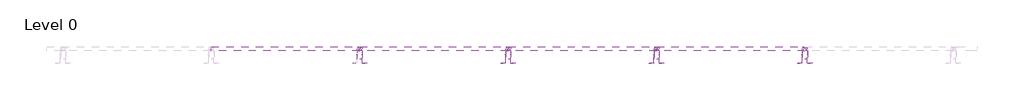
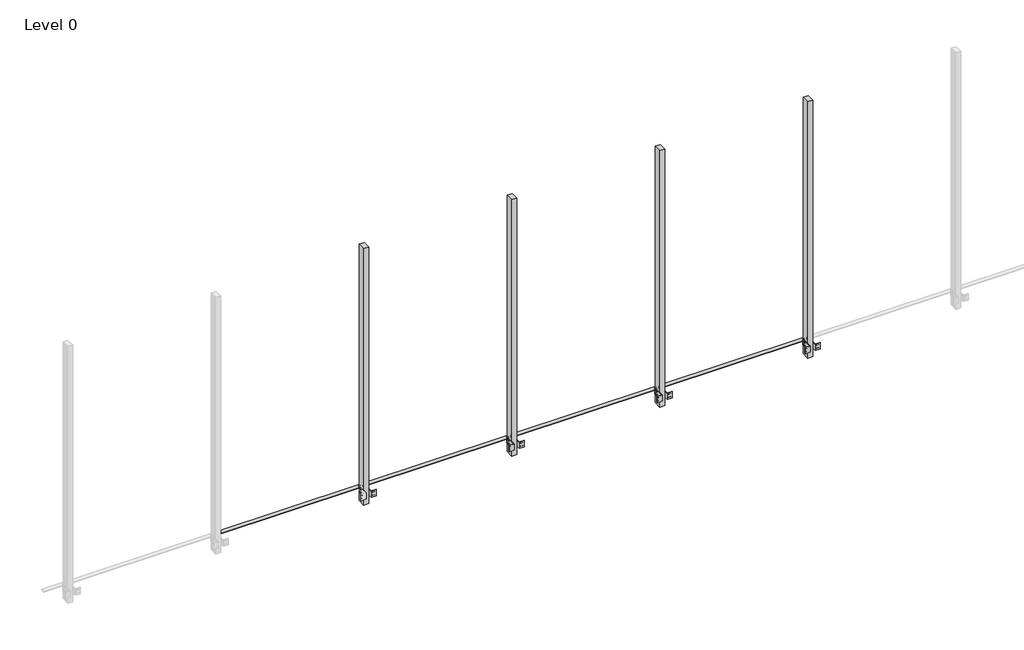
# One storey, part 14 of 15: 115 proxies.
"""IFC4 building model written with IfcOpenShell, lengths in millimetres."""

import ifcopenshell
import ifcopenshell.guid

model = None  # the IFC model being written
_history = None  # IfcOwnerHistory: only IFC2X3 demands one
_inside = {}  # id of a spatial element -> (the spatial element, [elements in it])
_under = {}  # id of a project, library or spatial element -> (it, [spatial elements below it])
_declared = {}  # id of a project -> (the project, [libraries it declares])
_typed = {}  # id of a type object -> (the type object, [elements of that type])
_made_of = {}  # id of a material, layer set ... -> (it, [elements and type objects made of it])


def new_model(schema):
    """Start an empty IFC model of exactly this schema.

    Asked for "IFC4X3", IfcOpenShell would pick the latest addendum, in which some entities
    have other attributes; the version numbers below select the first issue.
    IFC2X3 requires an IfcOwnerHistory on every rooted entity: one is made here for all.
    """
    global model, _history
    if schema == "IFC4X3":
        model = ifcopenshell.file(schema_version=(4, 3, 0, 0))
    else:
        model = ifcopenshell.file(schema=schema)
    _inside.clear()
    _under.clear()
    _declared.clear()
    _typed.clear()
    _made_of.clear()
    _history = None
    if model.schema == "IFC2X3":
        org = make("IfcOrganization", Name="unknown")
        user = make(
            "IfcPersonAndOrganization",
            ThePerson=make("IfcPerson", FamilyName="unknown"),
            TheOrganization=org,
        )
        app = make(
            "IfcApplication",
            ApplicationDeveloper=org,
            Version="unknown",
            ApplicationFullName="unknown",
            ApplicationIdentifier="unknown",
        )
        _history = make(
            "IfcOwnerHistory",
            OwningUser=user,
            OwningApplication=app,
            ChangeAction="ADDED",
            CreationDate=0,
        )
    return model


def make(cls, **values):
    """One entity of the class cls with the attributes given. An attribute that is None is left unset."""
    return model.create_entity(
        cls, **{name: value for name, value in values.items() if value is not None}
    )


def rooted(cls, **values):
    """An entity with a GlobalId (a new one), such as an element, a storey or a relation."""
    return make(cls, GlobalId=ifcopenshell.guid.new(), OwnerHistory=_history, **values)


def si_unit(unit_type, name, prefix=None):
    """IfcSIUnit, for example si_unit("LENGTHUNIT", "METRE", prefix="MILLI")."""
    return make("IfcSIUnit", UnitType=unit_type, Prefix=prefix, Name=name)


def assignment(units):
    """IfcUnitAssignment: the units of a project."""
    return None if units is None else make("IfcUnitAssignment", Units=units)


def point(xyz):
    """IfcCartesianPoint."""
    return None if xyz is None else make("IfcCartesianPoint", Coordinates=xyz)


def direction(xyz):
    """IfcDirection."""
    return None if xyz is None else make("IfcDirection", DirectionRatios=xyz)


def frame(location, z_axis=None, x_axis=None):
    """IfcAxis2Placement3D, a coordinate frame: its origin and axes. An axis left out is left unset."""
    return make(
        "IfcAxis2Placement3D",
        Location=point(location),
        Axis=direction(z_axis),
        RefDirection=direction(x_axis),
    )


def frame_2d(location, x_axis=None):
    """IfcAxis2Placement2D, a coordinate frame in the plane: its origin and x axis."""
    return make(
        "IfcAxis2Placement2D", Location=point(location), RefDirection=direction(x_axis)
    )


def origin():
    """The frame at (0, 0, 0) with its axes left unset."""
    return frame((0.0, 0.0, 0.0))


def origin_with_axes():
    """The frame at (0, 0, 0) with the z axis (0, 0, 1) and the x axis (1, 0, 0) written out."""
    return frame((0.0, 0.0, 0.0), z_axis=(0.0, 0.0, 1.0), x_axis=(1.0, 0.0, 0.0))


def origin_2d():
    """The frame at (0, 0) in the plane with its x axis left unset."""
    return frame_2d((0.0, 0.0))


def place(relative_to, where):
    """IfcLocalPlacement: puts the frame where relative to a parent placement (None: the world)."""
    return make(
        "IfcLocalPlacement", PlacementRelTo=relative_to, RelativePlacement=where
    )


def context(
    kind, dimensions, precision=None, world=None, true_north=None, identifier=None
):
    """IfcGeometricRepresentationContext, for example the 3D "Model" context."""
    return make(
        "IfcGeometricRepresentationContext",
        ContextIdentifier=identifier,
        ContextType=kind,
        CoordinateSpaceDimension=dimensions,
        Precision=precision,
        WorldCoordinateSystem=world,
        TrueNorth=true_north,
    )


def project(units=None, contexts=None):
    """IfcProject with its units and contexts."""
    return rooted(
        "IfcProject",
        Name="project",
        RepresentationContexts=contexts,
        UnitsInContext=assignment(units),
    )


def spatial(cls, under=None, at=None, **own):
    """A site, building, storey or space (cls), placed at a placement, below another one or the project."""
    s = rooted(cls, ObjectPlacement=at, **own)
    if under is not None:
        _under.setdefault(under.id(), (under, []))[1].append(s)
    return s


def polyline(points):
    """IfcPolyline through the points."""
    return make("IfcPolyline", Points=[point(p) for p in points])


def circle_curve(where, radius):
    """IfcCircle in the frame where."""
    return make("IfcCircle", Position=where, Radius=radius)


def trimmed(basis, trim1, trim2, sense, master):
    """IfcTrimmedCurve: the piece of a basis curve between two trims."""
    return make(
        "IfcTrimmedCurve",
        BasisCurve=basis,
        Trim1=trim1,
        Trim2=trim2,
        SenseAgreement=sense,
        MasterRepresentation=master,
    )


def segment(curve, same_sense, transition):
    """IfcCompositeCurveSegment."""
    return make(
        "IfcCompositeCurveSegment",
        Transition=transition,
        SameSense=same_sense,
        ParentCurve=curve,
    )


def composite_curve(segments, self_intersect=None):
    """IfcCompositeCurve: segments joined end to end."""
    return make("IfcCompositeCurve", Segments=segments, SelfIntersect=self_intersect)


def outline(outer, holes=None, kind="AREA"):
    """IfcArbitraryClosedProfileDef: a profile drawn as a closed curve; with holes, ...WithVoids."""
    if holes is None:
        return make("IfcArbitraryClosedProfileDef", ProfileType=kind, OuterCurve=outer)
    return make(
        "IfcArbitraryProfileDefWithVoids",
        ProfileType=kind,
        OuterCurve=outer,
        InnerCurves=holes,
    )


def extrude(swept, where, along, depth):
    """IfcExtrudedAreaSolid: the profile swept, set in the frame where, extruded along a direction by depth."""
    return make(
        "IfcExtrudedAreaSolid",
        SweptArea=swept,
        Position=where,
        ExtrudedDirection=direction(along),
        Depth=depth,
    )


def shape(context_of_items, identifier, shape_type, items):
    """IfcShapeRepresentation: the items that make up one representation, for example the "Body"."""
    return make(
        "IfcShapeRepresentation",
        ContextOfItems=context_of_items,
        RepresentationIdentifier=identifier,
        RepresentationType=shape_type,
        Items=items,
    )


def source(mapping_origin, context_of_items, identifier, shape_type, items):
    """IfcRepresentationMap: a shape defined once, which mapped items show again and again."""
    return make(
        "IfcRepresentationMap",
        MappingOrigin=mapping_origin,
        MappedRepresentation=shape(context_of_items, identifier, shape_type, items),
    )


def transform(
    local_origin,
    x_axis=None,
    y_axis=None,
    z_axis=None,
    scale=None,
    scale2=None,
    scale3=None,
    uniform=True,
):
    """IfcCartesianTransformationOperator3D, or its non-uniform kind. x_axis, y_axis, z_axis: its Axis1, 2, 3."""
    if uniform:
        return make(
            "IfcCartesianTransformationOperator3D",
            Axis1=direction(x_axis),
            Axis2=direction(y_axis),
            LocalOrigin=point(local_origin),
            Scale=scale,
            Axis3=direction(z_axis),
        )
    return make(
        "IfcCartesianTransformationOperator3DnonUniform",
        Axis1=direction(x_axis),
        Axis2=direction(y_axis),
        LocalOrigin=point(local_origin),
        Scale=scale,
        Axis3=direction(z_axis),
        Scale2=scale2,
        Scale3=scale3,
    )


def mapped(mapping_source, mapping_target):
    """IfcMappedItem: shows the shape of a source again, moved by a transform."""
    return make(
        "IfcMappedItem", MappingSource=mapping_source, MappingTarget=mapping_target
    )


def made_of(thing, what):
    """Note that an element or type object is made of a material, layer set ...; save() writes the relation."""
    if what is not None:
        _made_of.setdefault(what.id(), (what, []))[1].append(thing)
    return thing


def element(
    cls,
    number,
    at=None,
    inside=None,
    cuts=None,
    type_object=None,
    material=None,
    context=None,
    identifier="Body",
    shape_type=None,
    held_by="IfcProductDefinitionShape",
    body=None,
    shapes=None,
    **own,
):
    """One element of the class cls, such as IfcWall. Its Tag is "e" and its number.

    at: its placement. inside: the storey or other place that contains it. cuts: it is an
    opening in that element (IfcRelVoidsElement). A single representation is given by context,
    identifier, shape_type and body (its items); several are given by shapes. held_by: the class
    of the entity that holds the representations. save() writes the other relations.
    """
    e = rooted(cls, Tag="e%d" % number, ObjectPlacement=at, **own)
    if body is not None:
        shapes = [shape(context, identifier, shape_type, body)]
    if shapes is not None:
        e.Representation = make(held_by, Representations=shapes)
    if inside is not None:
        _inside.setdefault(inside.id(), (inside, []))[1].append(e)
    if cuts is not None:
        rooted(
            "IfcRelVoidsElement", RelatingBuildingElement=cuts, RelatedOpeningElement=e
        )
    if type_object is not None:
        _typed.setdefault(type_object.id(), (type_object, []))[1].append(e)
    return made_of(e, material)


def aggregate(whole, parts):
    """IfcRelAggregates: a whole, such as a stair, and the parts it consists of."""
    return rooted("IfcRelAggregates", RelatingObject=whole, RelatedObjects=parts)


def save(model, path):
    """Write the relations noted so far, then the file.

    IfcRelAggregates (storeys below a building ...), IfcRelContainedInSpatialStructure (elements
    in a storey), IfcRelDefinesByType, IfcRelAssociatesMaterial and IfcRelDeclares: one each for
    every whole, place, type object, material and project.
    """
    for whole, parts in _under.values():
        aggregate(whole, parts)
    for where, things in _inside.values():
        rooted(
            "IfcRelContainedInSpatialStructure",
            RelatedElements=things,
            RelatingStructure=where,
        )
    for kind, things in _typed.values():
        rooted("IfcRelDefinesByType", RelatedObjects=things, RelatingType=kind)
    for what, things in _made_of.values():
        rooted("IfcRelAssociatesMaterial", RelatedObjects=things, RelatingMaterial=what)
    for by, libraries in _declared.values():
        rooted("IfcRelDeclares", RelatingContext=by, RelatedDefinitions=libraries)
    model.write(path)


def generic_models_19886ca7(model_context):
    return source(origin(), model_context, "Body", "SweptSolid", [
        extrude(outline(composite_curve([segment(trimmed(circle_curve(origin_2d(), 5.0), [point((-5.0, 0.0))], [point((5.0, 0.0))], False, "CARTESIAN"), True, "CONTINUOUS"), segment(trimmed(circle_curve(origin_2d(), 5.0), [point((5.0, 0.0))], [point((-5.0, 0.0))], False, "CARTESIAN"), True, "CONTINUOUS")], self_intersect=False)), origin_with_axes(), (0.0, 0.0, 1.0), 5.0),
    ])


def generic_models_fb3d52db(model_context):
    return source(origin(), model_context, "Body", "SweptSolid", [
        extrude(outline(polyline([(0.0, 0.0), (-50.0, 0.0), (-50.0, 50.0), (-47.0, 50.0), (-47.0, 3.0), (0.0, 3.0), (0.0, 0.0)])), frame((0.0, 0.0, 0.0), z_axis=(1.0, 0.0, 0.0), x_axis=(0.0, 1.0, 0.0)), (0.0, 0.0, 1.0), 60.0),
    ])


def generic_models_5bfb905a(model_context):
    return source(origin(), model_context, "Body", "SweptSolid", [
        extrude(outline(polyline([(26.7544115, 408.8971584), (26.7544115, -1391.1028416), (-23.2455885, -1391.1028416), (-23.2455885, 408.8971584), (26.7544115, 408.8971584)])), origin_with_axes(), (0.0, 0.0, 1.0), 7.0),
    ])


def generic_models_88deaccf(model_context):
    return source(origin(), model_context, "Body", "SweptSolid", [
        extrude(outline(polyline([(150.0, 0.0), (0.0, 0.0), (0.0, 62.3), (2.3, 62.3), (2.3, 2.3), (150.0, 2.3), (150.0, 0.0)])), frame((0.0, -80.0, 0.0), z_axis=(0.0, 1.0, 0.0), x_axis=(0.0, 0.0, 1.0)), (0.0, 0.0, 1.0), 80.0),
    ])


def generic_models_159ed4c4(model_context):
    return source(origin(), model_context, "Body", "SweptSolid", [
        extrude(outline(polyline([(150.0, 0.0), (0.0, 0.0), (0.0, 62.3), (2.3, 62.3), (2.3, 2.3), (150.0, 2.3), (150.0, 0.0)])), frame((0.0, 0.0, 0.0), z_axis=(0.0, 1.0, 0.0), x_axis=(0.0, 0.0, 1.0)), (0.0, 0.0, 1.0), 80.0),
    ])


def montante_parete_montante_parete_c66eabe1(model_context):
    return source(origin(), model_context, "Body", "SweptSolid", [
        extrude(outline(polyline([(30.0, 1136.5382366), (30.0, -2163.4617634), (-30.0, -2163.4617634), (-30.0, 1136.5382366), (30.0, 1136.5382366)])), origin_with_axes(), (0.0, 0.0, 1.0), 100.0),
    ])


model = new_model("IFC4")

# Units and contexts
model_context = context("Model", 3, world=origin())
ifc_project = project(units=[si_unit("LENGTHUNIT", "METRE", prefix="MILLI")], contexts=[model_context])

# Site, building, storey
site = spatial("IfcSite", under=ifc_project)
building = spatial("IfcBuilding", under=site)
storey = spatial("IfcBuildingStorey", under=building, Name="Level 0", Elevation=0.0)

# Proxies
placement = place(None, origin())
generic_models_shape = generic_models_19886ca7(model_context)
element("IfcBuildingElementProxy", 1, Name="Generic Models", at=placement, inside=storey, context=model_context, shape_type="MappedRepresentation", body=[
    mapped(generic_models_shape, transform((-1650.5400292, 735.3589406, 2854.9669904), x_axis=(-1.0, 0.0, 0.0), y_axis=(0.0, 0.0, 1.0), z_axis=(0.0, 1.0, 0.0))),
])
element("IfcBuildingElementProxy", 2, Name="Generic Models", at=placement, inside=storey, context=model_context, shape_type="MappedRepresentation", body=[
    mapped(generic_models_shape, transform((-1675.5400292, 735.3589406, 2855.0), x_axis=(-1.0, 0.0, 0.0), y_axis=(0.0, 0.0, 1.0), z_axis=(0.0, 1.0, 0.0))),
])
element("IfcBuildingElementProxy", 3, Name="Generic Models", at=placement, inside=storey, context=model_context, shape_type="MappedRepresentation", body=[
    mapped(generic_models_shape, transform((-1675.5400292, 735.3589406, 2815.0), x_axis=(-1.0, 0.0, 0.0), y_axis=(0.0, 0.0, 1.0), z_axis=(0.0, 1.0, 0.0))),
])
element("IfcBuildingElementProxy", 4, Name="Generic Models", at=placement, inside=storey, context=model_context, shape_type="MappedRepresentation", body=[
    mapped(generic_models_shape, transform((-1650.5400292, 735.3589406, 2815.0), x_axis=(-1.0, 0.0, 0.0), y_axis=(0.0, 0.0, 1.0), z_axis=(0.0, 1.0, 0.0))),
])
element("IfcBuildingElementProxy", 5, Name="Generic Models", at=placement, inside=storey, context=model_context, shape_type="MappedRepresentation", body=[
    mapped(generic_models_shape, transform((-1630.5400292, 863.0589406, 2855.0), x_axis=(0.0, -1.0, 0.0), y_axis=(0.0, 0.0, 1.0), z_axis=(-1.0, 0.0, 0.0))),
])
element("IfcBuildingElementProxy", 6, Name="Generic Models", at=placement, inside=storey, context=model_context, shape_type="MappedRepresentation", body=[
    mapped(generic_models_shape, transform((-1630.5400292, 863.0589406, 2814.9681435), x_axis=(0.0, -1.0, 0.0), y_axis=(0.0, 0.0, 1.0), z_axis=(-1.0, 0.0, 0.0))),
])
element("IfcBuildingElementProxy", 7, Name="Generic Models", at=placement, inside=storey, context=model_context, shape_type="MappedRepresentation", body=[
    mapped(generic_models_shape, transform((-1630.5400292, 838.0589406, 2814.9681435), x_axis=(0.0, -1.0, 0.0), y_axis=(0.0, 0.0, 1.0), z_axis=(-1.0, 0.0, 0.0))),
])
element("IfcBuildingElementProxy", 8, Name="Generic Models", at=placement, inside=storey, context=model_context, shape_type="MappedRepresentation", body=[
    mapped(generic_models_shape, transform((-1630.5400292, 838.0589406, 2855.0), x_axis=(0.0, -1.0, 0.0), y_axis=(0.0, 0.0, 1.0), z_axis=(-1.0, 0.0, 0.0))),
])
element("IfcBuildingElementProxy", 9, Name="Generic Models", at=placement, inside=storey, context=model_context, shape_type="MappedRepresentation", body=[
    mapped(generic_models_shape, transform((-1613.2400292, 886.0448969, 2870.0), x_axis=(0.0, 0.0, -1.0), y_axis=(-1.0, 0.0, 0.0), z_axis=(0.0, 1.0, 0.0))),
])
element("IfcBuildingElementProxy", 10, Name="Generic Models", at=placement, inside=storey, context=model_context, shape_type="MappedRepresentation", body=[
    mapped(generic_models_shape, transform((-1613.2400292, 886.0448969, 2853.0), x_axis=(0.0, 0.0, -1.0), y_axis=(-1.0, 0.0, 0.0), z_axis=(0.0, 1.0, 0.0))),
])
element("IfcBuildingElementProxy", 11, Name="Generic Models", at=placement, inside=storey, context=model_context, shape_type="MappedRepresentation", body=[
    mapped(generic_models_shape, transform((-1583.2400292, 886.0448969, 2853.0), x_axis=(0.0, 0.0, -1.0), y_axis=(-1.0, 0.0, 0.0), z_axis=(0.0, 1.0, 0.0))),
])
element("IfcBuildingElementProxy", 12, Name="Generic Models", at=placement, inside=storey, context=model_context, shape_type="MappedRepresentation", body=[
    mapped(generic_models_shape, transform((-1583.2400292, 886.0448969, 2869.4644661), x_axis=(0.0, 0.0, -1.0), y_axis=(-1.0, 0.0, 0.0), z_axis=(0.0, 1.0, 0.0))),
])
element("IfcBuildingElementProxy", 13, Name="Generic Models", at=placement, inside=storey, context=model_context, shape_type="MappedRepresentation", body=[
    mapped(generic_models_shape, transform((-1583.2355983, 898.0448969, 2838.0), x_axis=(0.0, 1.0, 0.0), y_axis=(-1.0, 0.0, 0.0), z_axis=(0.0, 0.0, 1.0))),
])
element("IfcBuildingElementProxy", 14, Name="Generic Models", at=placement, inside=storey, context=model_context, shape_type="MappedRepresentation", body=[
    mapped(generic_models_shape, transform((-1583.2204319, 918.0448969, 2838.0), x_axis=(0.0, 1.0, 0.0), y_axis=(-1.0, 0.0, 0.0), z_axis=(0.0, 0.0, 1.0))),
])
element("IfcBuildingElementProxy", 15, Name="Generic Models", at=placement, inside=storey, context=model_context, shape_type="MappedRepresentation", body=[
    mapped(generic_models_shape, transform((-1613.2400292, 898.0448969, 2838.0), x_axis=(0.0, 1.0, 0.0), y_axis=(-1.0, 0.0, 0.0), z_axis=(0.0, 0.0, 1.0))),
])
element("IfcBuildingElementProxy", 16, Name="Generic Models", at=placement, inside=storey, context=model_context, shape_type="MappedRepresentation", body=[
    mapped(generic_models_shape, transform((-1613.2400292, 918.0448969, 2838.0), x_axis=(0.0, 1.0, 0.0), y_axis=(-1.0, 0.0, 0.0), z_axis=(0.0, 0.0, 1.0))),
])
element("IfcBuildingElementProxy", 17, Name="Generic Models", at=placement, inside=storey, context=model_context, shape_type="MappedRepresentation", body=[
    mapped(generic_models_shape, transform((-3450.5400292, 735.3589406, 2854.9669904), x_axis=(-1.0, 0.0, 0.0), y_axis=(0.0, 0.0, 1.0), z_axis=(0.0, 1.0, 0.0))),
])
element("IfcBuildingElementProxy", 18, Name="Generic Models", at=placement, inside=storey, context=model_context, shape_type="MappedRepresentation", body=[
    mapped(generic_models_shape, transform((-3475.5400292, 735.3589406, 2855.0), x_axis=(-1.0, 0.0, 0.0), y_axis=(0.0, 0.0, 1.0), z_axis=(0.0, 1.0, 0.0))),
])
element("IfcBuildingElementProxy", 19, Name="Generic Models", at=placement, inside=storey, context=model_context, shape_type="MappedRepresentation", body=[
    mapped(generic_models_shape, transform((-3475.5400292, 735.3589406, 2815.0), x_axis=(-1.0, 0.0, 0.0), y_axis=(0.0, 0.0, 1.0), z_axis=(0.0, 1.0, 0.0))),
])
element("IfcBuildingElementProxy", 20, Name="Generic Models", at=placement, inside=storey, context=model_context, shape_type="MappedRepresentation", body=[
    mapped(generic_models_shape, transform((-3450.5400292, 735.3589406, 2815.0), x_axis=(-1.0, 0.0, 0.0), y_axis=(0.0, 0.0, 1.0), z_axis=(0.0, 1.0, 0.0))),
])
element("IfcBuildingElementProxy", 21, Name="Generic Models", at=placement, inside=storey, context=model_context, shape_type="MappedRepresentation", body=[
    mapped(generic_models_shape, transform((-3430.5400292, 863.0589406, 2855.0), x_axis=(0.0, -1.0, 0.0), y_axis=(0.0, 0.0, 1.0), z_axis=(-1.0, 0.0, 0.0))),
])
element("IfcBuildingElementProxy", 22, Name="Generic Models", at=placement, inside=storey, context=model_context, shape_type="MappedRepresentation", body=[
    mapped(generic_models_shape, transform((-3430.5400292, 863.0589406, 2814.9681435), x_axis=(0.0, -1.0, 0.0), y_axis=(0.0, 0.0, 1.0), z_axis=(-1.0, 0.0, 0.0))),
])
element("IfcBuildingElementProxy", 23, Name="Generic Models", at=placement, inside=storey, context=model_context, shape_type="MappedRepresentation", body=[
    mapped(generic_models_shape, transform((-3430.5400292, 838.0589406, 2814.9681435), x_axis=(0.0, -1.0, 0.0), y_axis=(0.0, 0.0, 1.0), z_axis=(-1.0, 0.0, 0.0))),
])
element("IfcBuildingElementProxy", 24, Name="Generic Models", at=placement, inside=storey, context=model_context, shape_type="MappedRepresentation", body=[
    mapped(generic_models_shape, transform((-3430.5400292, 838.0589406, 2855.0), x_axis=(0.0, -1.0, 0.0), y_axis=(0.0, 0.0, 1.0), z_axis=(-1.0, 0.0, 0.0))),
])
element("IfcBuildingElementProxy", 25, Name="Generic Models", at=placement, inside=storey, context=model_context, shape_type="MappedRepresentation", body=[
    mapped(generic_models_shape, transform((-3413.2400292, 886.0448969, 2870.0), x_axis=(0.0, 0.0, -1.0), y_axis=(-1.0, 0.0, 0.0), z_axis=(0.0, 1.0, 0.0))),
])
element("IfcBuildingElementProxy", 26, Name="Generic Models", at=placement, inside=storey, context=model_context, shape_type="MappedRepresentation", body=[
    mapped(generic_models_shape, transform((-3413.2400292, 886.0448969, 2853.0), x_axis=(0.0, 0.0, -1.0), y_axis=(-1.0, 0.0, 0.0), z_axis=(0.0, 1.0, 0.0))),
])
element("IfcBuildingElementProxy", 27, Name="Generic Models", at=placement, inside=storey, context=model_context, shape_type="MappedRepresentation", body=[
    mapped(generic_models_shape, transform((-3383.2400292, 886.0448969, 2853.0), x_axis=(0.0, 0.0, -1.0), y_axis=(-1.0, 0.0, 0.0), z_axis=(0.0, 1.0, 0.0))),
])
element("IfcBuildingElementProxy", 28, Name="Generic Models", at=placement, inside=storey, context=model_context, shape_type="MappedRepresentation", body=[
    mapped(generic_models_shape, transform((-3383.2400292, 886.0448969, 2869.4644661), x_axis=(0.0, 0.0, -1.0), y_axis=(-1.0, 0.0, 0.0), z_axis=(0.0, 1.0, 0.0))),
])
element("IfcBuildingElementProxy", 29, Name="Generic Models", at=placement, inside=storey, context=model_context, shape_type="MappedRepresentation", body=[
    mapped(generic_models_shape, transform((-3383.2355983, 898.0448969, 2838.0), x_axis=(0.0, 1.0, 0.0), y_axis=(-1.0, 0.0, 0.0), z_axis=(0.0, 0.0, 1.0))),
])
element("IfcBuildingElementProxy", 30, Name="Generic Models", at=placement, inside=storey, context=model_context, shape_type="MappedRepresentation", body=[
    mapped(generic_models_shape, transform((-3383.2204319, 918.0448969, 2838.0), x_axis=(0.0, 1.0, 0.0), y_axis=(-1.0, 0.0, 0.0), z_axis=(0.0, 0.0, 1.0))),
])
element("IfcBuildingElementProxy", 31, Name="Generic Models", at=placement, inside=storey, context=model_context, shape_type="MappedRepresentation", body=[
    mapped(generic_models_shape, transform((-3413.2400292, 898.0448969, 2838.0), x_axis=(0.0, 1.0, 0.0), y_axis=(-1.0, 0.0, 0.0), z_axis=(0.0, 0.0, 1.0))),
])
element("IfcBuildingElementProxy", 32, Name="Generic Models", at=placement, inside=storey, context=model_context, shape_type="MappedRepresentation", body=[
    mapped(generic_models_shape, transform((-3413.2400292, 918.0448969, 2838.0), x_axis=(0.0, 1.0, 0.0), y_axis=(-1.0, 0.0, 0.0), z_axis=(0.0, 0.0, 1.0))),
])
element("IfcBuildingElementProxy", 33, Name="Generic Models", at=placement, inside=storey, context=model_context, shape_type="MappedRepresentation", body=[
    mapped(generic_models_shape, transform((-5250.5400292, 735.3589406, 2854.9669904), x_axis=(-1.0, 0.0, 0.0), y_axis=(0.0, 0.0, 1.0), z_axis=(0.0, 1.0, 0.0))),
])
element("IfcBuildingElementProxy", 34, Name="Generic Models", at=placement, inside=storey, context=model_context, shape_type="MappedRepresentation", body=[
    mapped(generic_models_shape, transform((-5275.5400292, 735.3589406, 2855.0), x_axis=(-1.0, 0.0, 0.0), y_axis=(0.0, 0.0, 1.0), z_axis=(0.0, 1.0, 0.0))),
])
element("IfcBuildingElementProxy", 35, Name="Generic Models", at=placement, inside=storey, context=model_context, shape_type="MappedRepresentation", body=[
    mapped(generic_models_shape, transform((-5275.5400292, 735.3589406, 2815.0), x_axis=(-1.0, 0.0, 0.0), y_axis=(0.0, 0.0, 1.0), z_axis=(0.0, 1.0, 0.0))),
])
element("IfcBuildingElementProxy", 36, Name="Generic Models", at=placement, inside=storey, context=model_context, shape_type="MappedRepresentation", body=[
    mapped(generic_models_shape, transform((-5250.5400292, 735.3589406, 2815.0), x_axis=(-1.0, 0.0, 0.0), y_axis=(0.0, 0.0, 1.0), z_axis=(0.0, 1.0, 0.0))),
])
element("IfcBuildingElementProxy", 37, Name="Generic Models", at=placement, inside=storey, context=model_context, shape_type="MappedRepresentation", body=[
    mapped(generic_models_shape, transform((-5230.5400292, 863.0589406, 2855.0), x_axis=(0.0, -1.0, 0.0), y_axis=(0.0, 0.0, 1.0), z_axis=(-1.0, 0.0, 0.0))),
])
element("IfcBuildingElementProxy", 38, Name="Generic Models", at=placement, inside=storey, context=model_context, shape_type="MappedRepresentation", body=[
    mapped(generic_models_shape, transform((-5230.5400292, 863.0589406, 2814.9681435), x_axis=(0.0, -1.0, 0.0), y_axis=(0.0, 0.0, 1.0), z_axis=(-1.0, 0.0, 0.0))),
])
element("IfcBuildingElementProxy", 39, Name="Generic Models", at=placement, inside=storey, context=model_context, shape_type="MappedRepresentation", body=[
    mapped(generic_models_shape, transform((-5230.5400292, 838.0589406, 2814.9681435), x_axis=(0.0, -1.0, 0.0), y_axis=(0.0, 0.0, 1.0), z_axis=(-1.0, 0.0, 0.0))),
])
element("IfcBuildingElementProxy", 40, Name="Generic Models", at=placement, inside=storey, context=model_context, shape_type="MappedRepresentation", body=[
    mapped(generic_models_shape, transform((-5230.5400292, 838.0589406, 2855.0), x_axis=(0.0, -1.0, 0.0), y_axis=(0.0, 0.0, 1.0), z_axis=(-1.0, 0.0, 0.0))),
])
element("IfcBuildingElementProxy", 41, Name="Generic Models", at=placement, inside=storey, context=model_context, shape_type="MappedRepresentation", body=[
    mapped(generic_models_shape, transform((-5213.2400292, 886.0448969, 2870.0), x_axis=(0.0, 0.0, -1.0), y_axis=(-1.0, 0.0, 0.0), z_axis=(0.0, 1.0, 0.0))),
])
element("IfcBuildingElementProxy", 42, Name="Generic Models", at=placement, inside=storey, context=model_context, shape_type="MappedRepresentation", body=[
    mapped(generic_models_shape, transform((-5213.2400292, 886.0448969, 2853.0), x_axis=(0.0, 0.0, -1.0), y_axis=(-1.0, 0.0, 0.0), z_axis=(0.0, 1.0, 0.0))),
])
element("IfcBuildingElementProxy", 43, Name="Generic Models", at=placement, inside=storey, context=model_context, shape_type="MappedRepresentation", body=[
    mapped(generic_models_shape, transform((-5183.2400292, 886.0448969, 2853.0), x_axis=(0.0, 0.0, -1.0), y_axis=(-1.0, 0.0, 0.0), z_axis=(0.0, 1.0, 0.0))),
])
element("IfcBuildingElementProxy", 44, Name="Generic Models", at=placement, inside=storey, context=model_context, shape_type="MappedRepresentation", body=[
    mapped(generic_models_shape, transform((-5183.2400292, 886.0448969, 2869.4644661), x_axis=(0.0, 0.0, -1.0), y_axis=(-1.0, 0.0, 0.0), z_axis=(0.0, 1.0, 0.0))),
])
element("IfcBuildingElementProxy", 45, Name="Generic Models", at=placement, inside=storey, context=model_context, shape_type="MappedRepresentation", body=[
    mapped(generic_models_shape, transform((-5183.2355983, 898.0448969, 2838.0), x_axis=(0.0, 1.0, 0.0), y_axis=(-1.0, 0.0, 0.0), z_axis=(0.0, 0.0, 1.0))),
])
element("IfcBuildingElementProxy", 46, Name="Generic Models", at=placement, inside=storey, context=model_context, shape_type="MappedRepresentation", body=[
    mapped(generic_models_shape, transform((-5183.2204319, 918.0448969, 2838.0), x_axis=(0.0, 1.0, 0.0), y_axis=(-1.0, 0.0, 0.0), z_axis=(0.0, 0.0, 1.0))),
])
element("IfcBuildingElementProxy", 47, Name="Generic Models", at=placement, inside=storey, context=model_context, shape_type="MappedRepresentation", body=[
    mapped(generic_models_shape, transform((-5213.2400292, 898.0448969, 2838.0), x_axis=(0.0, 1.0, 0.0), y_axis=(-1.0, 0.0, 0.0), z_axis=(0.0, 0.0, 1.0))),
])
element("IfcBuildingElementProxy", 48, Name="Generic Models", at=placement, inside=storey, context=model_context, shape_type="MappedRepresentation", body=[
    mapped(generic_models_shape, transform((-5213.2400292, 918.0448969, 2838.0), x_axis=(0.0, 1.0, 0.0), y_axis=(-1.0, 0.0, 0.0), z_axis=(0.0, 0.0, 1.0))),
])
element("IfcBuildingElementProxy", 49, Name="Generic Models", at=placement, inside=storey, context=model_context, shape_type="MappedRepresentation", body=[
    mapped(generic_models_shape, transform((-7050.5400292, 735.3589406, 2854.9669904), x_axis=(-1.0, 0.0, 0.0), y_axis=(0.0, 0.0, 1.0), z_axis=(0.0, 1.0, 0.0))),
])
element("IfcBuildingElementProxy", 50, Name="Generic Models", at=placement, inside=storey, context=model_context, shape_type="MappedRepresentation", body=[
    mapped(generic_models_shape, transform((-7075.5400292, 735.3589406, 2855.0), x_axis=(-1.0, 0.0, 0.0), y_axis=(0.0, 0.0, 1.0), z_axis=(0.0, 1.0, 0.0))),
])
element("IfcBuildingElementProxy", 51, Name="Generic Models", at=placement, inside=storey, context=model_context, shape_type="MappedRepresentation", body=[
    mapped(generic_models_shape, transform((-7075.5400292, 735.3589406, 2815.0), x_axis=(-1.0, 0.0, 0.0), y_axis=(0.0, 0.0, 1.0), z_axis=(0.0, 1.0, 0.0))),
])
element("IfcBuildingElementProxy", 52, Name="Generic Models", at=placement, inside=storey, context=model_context, shape_type="MappedRepresentation", body=[
    mapped(generic_models_shape, transform((-7050.5400292, 735.3589406, 2815.0), x_axis=(-1.0, 0.0, 0.0), y_axis=(0.0, 0.0, 1.0), z_axis=(0.0, 1.0, 0.0))),
])
element("IfcBuildingElementProxy", 53, Name="Generic Models", at=placement, inside=storey, context=model_context, shape_type="MappedRepresentation", body=[
    mapped(generic_models_shape, transform((-7030.5400292, 863.0589406, 2855.0), x_axis=(0.0, -1.0, 0.0), y_axis=(0.0, 0.0, 1.0), z_axis=(-1.0, 0.0, 0.0))),
])
element("IfcBuildingElementProxy", 54, Name="Generic Models", at=placement, inside=storey, context=model_context, shape_type="MappedRepresentation", body=[
    mapped(generic_models_shape, transform((-7030.5400292, 863.0589406, 2814.9681435), x_axis=(0.0, -1.0, 0.0), y_axis=(0.0, 0.0, 1.0), z_axis=(-1.0, 0.0, 0.0))),
])
element("IfcBuildingElementProxy", 55, Name="Generic Models", at=placement, inside=storey, context=model_context, shape_type="MappedRepresentation", body=[
    mapped(generic_models_shape, transform((-7030.5400292, 838.0589406, 2814.9681435), x_axis=(0.0, -1.0, 0.0), y_axis=(0.0, 0.0, 1.0), z_axis=(-1.0, 0.0, 0.0))),
])
element("IfcBuildingElementProxy", 56, Name="Generic Models", at=placement, inside=storey, context=model_context, shape_type="MappedRepresentation", body=[
    mapped(generic_models_shape, transform((-7030.5400292, 838.0589406, 2855.0), x_axis=(0.0, -1.0, 0.0), y_axis=(0.0, 0.0, 1.0), z_axis=(-1.0, 0.0, 0.0))),
])
element("IfcBuildingElementProxy", 57, Name="Generic Models", at=placement, inside=storey, context=model_context, shape_type="MappedRepresentation", body=[
    mapped(generic_models_shape, transform((-7013.2400292, 886.0448969, 2870.0), x_axis=(0.0, 0.0, -1.0), y_axis=(-1.0, 0.0, 0.0), z_axis=(0.0, 1.0, 0.0))),
])
element("IfcBuildingElementProxy", 58, Name="Generic Models", at=placement, inside=storey, context=model_context, shape_type="MappedRepresentation", body=[
    mapped(generic_models_shape, transform((-7013.2400292, 886.0448969, 2853.0), x_axis=(0.0, 0.0, -1.0), y_axis=(-1.0, 0.0, 0.0), z_axis=(0.0, 1.0, 0.0))),
])
element("IfcBuildingElementProxy", 59, Name="Generic Models", at=placement, inside=storey, context=model_context, shape_type="MappedRepresentation", body=[
    mapped(generic_models_shape, transform((-6983.2400292, 886.0448969, 2853.0), x_axis=(0.0, 0.0, -1.0), y_axis=(-1.0, 0.0, 0.0), z_axis=(0.0, 1.0, 0.0))),
])
element("IfcBuildingElementProxy", 60, Name="Generic Models", at=placement, inside=storey, context=model_context, shape_type="MappedRepresentation", body=[
    mapped(generic_models_shape, transform((-6983.2400292, 886.0448969, 2869.4644661), x_axis=(0.0, 0.0, -1.0), y_axis=(-1.0, 0.0, 0.0), z_axis=(0.0, 1.0, 0.0))),
])
element("IfcBuildingElementProxy", 61, Name="Generic Models", at=placement, inside=storey, context=model_context, shape_type="MappedRepresentation", body=[
    mapped(generic_models_shape, transform((-6983.2355983, 898.0448969, 2838.0), x_axis=(0.0, 1.0, 0.0), y_axis=(-1.0, 0.0, 0.0), z_axis=(0.0, 0.0, 1.0))),
])
element("IfcBuildingElementProxy", 62, Name="Generic Models", at=placement, inside=storey, context=model_context, shape_type="MappedRepresentation", body=[
    mapped(generic_models_shape, transform((-6983.2204319, 918.0448969, 2838.0), x_axis=(0.0, 1.0, 0.0), y_axis=(-1.0, 0.0, 0.0), z_axis=(0.0, 0.0, 1.0))),
])
element("IfcBuildingElementProxy", 63, Name="Generic Models", at=placement, inside=storey, context=model_context, shape_type="MappedRepresentation", body=[
    mapped(generic_models_shape, transform((-7013.2400292, 898.0448969, 2838.0), x_axis=(0.0, 1.0, 0.0), y_axis=(-1.0, 0.0, 0.0), z_axis=(0.0, 0.0, 1.0))),
])
element("IfcBuildingElementProxy", 64, Name="Generic Models", at=placement, inside=storey, context=model_context, shape_type="MappedRepresentation", body=[
    mapped(generic_models_shape, transform((-7013.2400292, 918.0448969, 2838.0), x_axis=(0.0, 1.0, 0.0), y_axis=(-1.0, 0.0, 0.0), z_axis=(0.0, 0.0, 1.0))),
])
generic_models_2_shape = generic_models_fb3d52db(model_context)
element("IfcBuildingElementProxy", 65, Name="Generic Models", at=placement, inside=storey, context=model_context, shape_type="MappedRepresentation", body=[
    mapped(generic_models_2_shape, transform((-1568.2400292, 883.0448969, 2885.0), x_axis=(-1.0, 0.0, 0.0), y_axis=(0.0, 0.0, 1.0), z_axis=(0.0, 1.0, 0.0))),
])
element("IfcBuildingElementProxy", 66, Name="Generic Models", at=placement, inside=storey, context=model_context, shape_type="MappedRepresentation", body=[
    mapped(generic_models_2_shape, transform((-3368.2400292, 883.0448969, 2885.0), x_axis=(-1.0, 0.0, 0.0), y_axis=(0.0, 0.0, 1.0), z_axis=(0.0, 1.0, 0.0))),
])
element("IfcBuildingElementProxy", 67, Name="Generic Models", at=placement, inside=storey, context=model_context, shape_type="MappedRepresentation", body=[
    mapped(generic_models_2_shape, transform((-5168.2400292, 883.0448969, 2885.0), x_axis=(-1.0, 0.0, 0.0), y_axis=(0.0, 0.0, 1.0), z_axis=(0.0, 1.0, 0.0))),
])
element("IfcBuildingElementProxy", 68, Name="Generic Models", at=placement, inside=storey, context=model_context, shape_type="MappedRepresentation", body=[
    mapped(generic_models_2_shape, transform((-6968.2400292, 883.0448969, 2885.0), x_axis=(-1.0, 0.0, 0.0), y_axis=(0.0, 0.0, 1.0), z_axis=(0.0, 1.0, 0.0))),
])
element("IfcBuildingElementProxy", 69, Name="Generic Models", at=placement, inside=storey, context=model_context, shape_type="MappedRepresentation", body=[
    mapped(generic_models_shape, transform((-1545.9400292, 735.3589406, 2854.9669904), x_axis=(1.0, 0.0, 0.0), y_axis=(0.0, 0.0, -1.0), z_axis=(0.0, 1.0, 0.0))),
])
element("IfcBuildingElementProxy", 70, Name="Generic Models", at=placement, inside=storey, context=model_context, shape_type="MappedRepresentation", body=[
    mapped(generic_models_shape, transform((-1520.9400292, 735.3589406, 2855.0), x_axis=(1.0, 0.0, 0.0), y_axis=(0.0, 0.0, -1.0), z_axis=(0.0, 1.0, 0.0))),
])
element("IfcBuildingElementProxy", 71, Name="Generic Models", at=placement, inside=storey, context=model_context, shape_type="MappedRepresentation", body=[
    mapped(generic_models_shape, transform((-1520.9400292, 735.3589406, 2815.0), x_axis=(1.0, 0.0, 0.0), y_axis=(0.0, 0.0, -1.0), z_axis=(0.0, 1.0, 0.0))),
])
element("IfcBuildingElementProxy", 72, Name="Generic Models", at=placement, inside=storey, context=model_context, shape_type="MappedRepresentation", body=[
    mapped(generic_models_shape, transform((-1545.9400292, 735.3589406, 2815.0), x_axis=(1.0, 0.0, 0.0), y_axis=(0.0, 0.0, -1.0), z_axis=(0.0, 1.0, 0.0))),
])
element("IfcBuildingElementProxy", 73, Name="Generic Models", at=placement, inside=storey, context=model_context, shape_type="MappedRepresentation", body=[
    mapped(generic_models_shape, transform((-1565.9400292, 863.0589406, 2855.0), x_axis=(0.0, -1.0, 0.0), y_axis=(0.0, 0.0, -1.0), z_axis=(1.0, 0.0, 0.0))),
])
element("IfcBuildingElementProxy", 74, Name="Generic Models", at=placement, inside=storey, context=model_context, shape_type="MappedRepresentation", body=[
    mapped(generic_models_shape, transform((-1565.9400292, 863.0589406, 2814.9681435), x_axis=(0.0, -1.0, 0.0), y_axis=(0.0, 0.0, -1.0), z_axis=(1.0, 0.0, 0.0))),
])
element("IfcBuildingElementProxy", 75, Name="Generic Models", at=placement, inside=storey, context=model_context, shape_type="MappedRepresentation", body=[
    mapped(generic_models_shape, transform((-1565.9400292, 838.0589406, 2814.9681435), x_axis=(0.0, -1.0, 0.0), y_axis=(0.0, 0.0, -1.0), z_axis=(1.0, 0.0, 0.0))),
])
element("IfcBuildingElementProxy", 76, Name="Generic Models", at=placement, inside=storey, context=model_context, shape_type="MappedRepresentation", body=[
    mapped(generic_models_shape, transform((-1565.9400292, 838.0589406, 2855.0), x_axis=(0.0, -1.0, 0.0), y_axis=(0.0, 0.0, -1.0), z_axis=(1.0, 0.0, 0.0))),
])
element("IfcBuildingElementProxy", 77, Name="Generic Models", at=placement, inside=storey, context=model_context, shape_type="MappedRepresentation", body=[
    mapped(generic_models_shape, transform((-3345.9400292, 735.3589406, 2854.9669904), x_axis=(1.0, 0.0, 0.0), y_axis=(0.0, 0.0, -1.0), z_axis=(0.0, 1.0, 0.0))),
])
element("IfcBuildingElementProxy", 78, Name="Generic Models", at=placement, inside=storey, context=model_context, shape_type="MappedRepresentation", body=[
    mapped(generic_models_shape, transform((-3320.9400292, 735.3589406, 2855.0), x_axis=(1.0, 0.0, 0.0), y_axis=(0.0, 0.0, -1.0), z_axis=(0.0, 1.0, 0.0))),
])
element("IfcBuildingElementProxy", 79, Name="Generic Models", at=placement, inside=storey, context=model_context, shape_type="MappedRepresentation", body=[
    mapped(generic_models_shape, transform((-3320.9400292, 735.3589406, 2815.0), x_axis=(1.0, 0.0, 0.0), y_axis=(0.0, 0.0, -1.0), z_axis=(0.0, 1.0, 0.0))),
])
element("IfcBuildingElementProxy", 80, Name="Generic Models", at=placement, inside=storey, context=model_context, shape_type="MappedRepresentation", body=[
    mapped(generic_models_shape, transform((-3345.9400292, 735.3589406, 2815.0), x_axis=(1.0, 0.0, 0.0), y_axis=(0.0, 0.0, -1.0), z_axis=(0.0, 1.0, 0.0))),
])
element("IfcBuildingElementProxy", 81, Name="Generic Models", at=placement, inside=storey, context=model_context, shape_type="MappedRepresentation", body=[
    mapped(generic_models_shape, transform((-3365.9400292, 863.0589406, 2855.0), x_axis=(0.0, -1.0, 0.0), y_axis=(0.0, 0.0, -1.0), z_axis=(1.0, 0.0, 0.0))),
])
element("IfcBuildingElementProxy", 82, Name="Generic Models", at=placement, inside=storey, context=model_context, shape_type="MappedRepresentation", body=[
    mapped(generic_models_shape, transform((-3365.9400292, 863.0589406, 2814.9681435), x_axis=(0.0, -1.0, 0.0), y_axis=(0.0, 0.0, -1.0), z_axis=(1.0, 0.0, 0.0))),
])
element("IfcBuildingElementProxy", 83, Name="Generic Models", at=placement, inside=storey, context=model_context, shape_type="MappedRepresentation", body=[
    mapped(generic_models_shape, transform((-3365.9400292, 838.0589406, 2814.9681435), x_axis=(0.0, -1.0, 0.0), y_axis=(0.0, 0.0, -1.0), z_axis=(1.0, 0.0, 0.0))),
])
element("IfcBuildingElementProxy", 84, Name="Generic Models", at=placement, inside=storey, context=model_context, shape_type="MappedRepresentation", body=[
    mapped(generic_models_shape, transform((-3365.9400292, 838.0589406, 2855.0), x_axis=(0.0, -1.0, 0.0), y_axis=(0.0, 0.0, -1.0), z_axis=(1.0, 0.0, 0.0))),
])
element("IfcBuildingElementProxy", 85, Name="Generic Models", at=placement, inside=storey, context=model_context, shape_type="MappedRepresentation", body=[
    mapped(generic_models_shape, transform((-5145.9400292, 735.3589406, 2854.9669904), x_axis=(1.0, 0.0, 0.0), y_axis=(0.0, 0.0, -1.0), z_axis=(0.0, 1.0, 0.0))),
])
element("IfcBuildingElementProxy", 86, Name="Generic Models", at=placement, inside=storey, context=model_context, shape_type="MappedRepresentation", body=[
    mapped(generic_models_shape, transform((-5120.9400292, 735.3589406, 2855.0), x_axis=(1.0, 0.0, 0.0), y_axis=(0.0, 0.0, -1.0), z_axis=(0.0, 1.0, 0.0))),
])
element("IfcBuildingElementProxy", 87, Name="Generic Models", at=placement, inside=storey, context=model_context, shape_type="MappedRepresentation", body=[
    mapped(generic_models_shape, transform((-5120.9400292, 735.3589406, 2815.0), x_axis=(1.0, 0.0, 0.0), y_axis=(0.0, 0.0, -1.0), z_axis=(0.0, 1.0, 0.0))),
])
element("IfcBuildingElementProxy", 88, Name="Generic Models", at=placement, inside=storey, context=model_context, shape_type="MappedRepresentation", body=[
    mapped(generic_models_shape, transform((-5145.9400292, 735.3589406, 2815.0), x_axis=(1.0, 0.0, 0.0), y_axis=(0.0, 0.0, -1.0), z_axis=(0.0, 1.0, 0.0))),
])
element("IfcBuildingElementProxy", 89, Name="Generic Models", at=placement, inside=storey, context=model_context, shape_type="MappedRepresentation", body=[
    mapped(generic_models_shape, transform((-5165.9400292, 863.0589406, 2855.0), x_axis=(0.0, -1.0, 0.0), y_axis=(0.0, 0.0, -1.0), z_axis=(1.0, 0.0, 0.0))),
])
element("IfcBuildingElementProxy", 90, Name="Generic Models", at=placement, inside=storey, context=model_context, shape_type="MappedRepresentation", body=[
    mapped(generic_models_shape, transform((-5165.9400292, 863.0589406, 2814.9681435), x_axis=(0.0, -1.0, 0.0), y_axis=(0.0, 0.0, -1.0), z_axis=(1.0, 0.0, 0.0))),
])
element("IfcBuildingElementProxy", 91, Name="Generic Models", at=placement, inside=storey, context=model_context, shape_type="MappedRepresentation", body=[
    mapped(generic_models_shape, transform((-5165.9400292, 838.0589406, 2814.9681435), x_axis=(0.0, -1.0, 0.0), y_axis=(0.0, 0.0, -1.0), z_axis=(1.0, 0.0, 0.0))),
])
element("IfcBuildingElementProxy", 92, Name="Generic Models", at=placement, inside=storey, context=model_context, shape_type="MappedRepresentation", body=[
    mapped(generic_models_shape, transform((-5165.9400292, 838.0589406, 2855.0), x_axis=(0.0, -1.0, 0.0), y_axis=(0.0, 0.0, -1.0), z_axis=(1.0, 0.0, 0.0))),
])
element("IfcBuildingElementProxy", 93, Name="Generic Models", at=placement, inside=storey, context=model_context, shape_type="MappedRepresentation", body=[
    mapped(generic_models_shape, transform((-6945.9400292, 735.3589406, 2854.9669904), x_axis=(1.0, 0.0, 0.0), y_axis=(0.0, 0.0, -1.0), z_axis=(0.0, 1.0, 0.0))),
])
element("IfcBuildingElementProxy", 94, Name="Generic Models", at=placement, inside=storey, context=model_context, shape_type="MappedRepresentation", body=[
    mapped(generic_models_shape, transform((-6920.9400292, 735.3589406, 2855.0), x_axis=(1.0, 0.0, 0.0), y_axis=(0.0, 0.0, -1.0), z_axis=(0.0, 1.0, 0.0))),
])
element("IfcBuildingElementProxy", 95, Name="Generic Models", at=placement, inside=storey, context=model_context, shape_type="MappedRepresentation", body=[
    mapped(generic_models_shape, transform((-6920.9400292, 735.3589406, 2815.0), x_axis=(1.0, 0.0, 0.0), y_axis=(0.0, 0.0, -1.0), z_axis=(0.0, 1.0, 0.0))),
])
element("IfcBuildingElementProxy", 96, Name="Generic Models", at=placement, inside=storey, context=model_context, shape_type="MappedRepresentation", body=[
    mapped(generic_models_shape, transform((-6945.9400292, 735.3589406, 2815.0), x_axis=(1.0, 0.0, 0.0), y_axis=(0.0, 0.0, -1.0), z_axis=(0.0, 1.0, 0.0))),
])
element("IfcBuildingElementProxy", 97, Name="Generic Models", at=placement, inside=storey, context=model_context, shape_type="MappedRepresentation", body=[
    mapped(generic_models_shape, transform((-6965.9400292, 863.0589406, 2855.0), x_axis=(0.0, -1.0, 0.0), y_axis=(0.0, 0.0, -1.0), z_axis=(1.0, 0.0, 0.0))),
])
element("IfcBuildingElementProxy", 98, Name="Generic Models", at=placement, inside=storey, context=model_context, shape_type="MappedRepresentation", body=[
    mapped(generic_models_shape, transform((-6965.9400292, 863.0589406, 2814.9681435), x_axis=(0.0, -1.0, 0.0), y_axis=(0.0, 0.0, -1.0), z_axis=(1.0, 0.0, 0.0))),
])
element("IfcBuildingElementProxy", 99, Name="Generic Models", at=placement, inside=storey, context=model_context, shape_type="MappedRepresentation", body=[
    mapped(generic_models_shape, transform((-6965.9400292, 838.0589406, 2814.9681435), x_axis=(0.0, -1.0, 0.0), y_axis=(0.0, 0.0, -1.0), z_axis=(1.0, 0.0, 0.0))),
])
element("IfcBuildingElementProxy", 100, Name="Generic Models", at=placement, inside=storey, context=model_context, shape_type="MappedRepresentation", body=[
    mapped(generic_models_shape, transform((-6965.9400292, 838.0589406, 2855.0), x_axis=(0.0, -1.0, 0.0), y_axis=(0.0, 0.0, -1.0), z_axis=(1.0, 0.0, 0.0))),
])
generic_models_3_shape = generic_models_5bfb905a(model_context)
element("IfcBuildingElementProxy", 101, Name="Generic Models", at=placement, inside=storey, context=model_context, shape_type="MappedRepresentation", body=[
    mapped(generic_models_3_shape, transform((-2007.1371876, 913.0448969, 2843.0), x_axis=(0.0, -1.0, 0.0), y_axis=(1.0, 0.0, 0.0), z_axis=(0.0, 0.0, 1.0))),
])
element("IfcBuildingElementProxy", 102, Name="Generic Models", at=placement, inside=storey, context=model_context, shape_type="MappedRepresentation", body=[
    mapped(generic_models_3_shape, transform((-3807.1371876, 913.0448969, 2843.0), x_axis=(0.0, -1.0, 0.0), y_axis=(1.0, 0.0, 0.0), z_axis=(0.0, 0.0, 1.0))),
])
element("IfcBuildingElementProxy", 103, Name="Generic Models", at=placement, inside=storey, context=model_context, shape_type="MappedRepresentation", body=[
    mapped(generic_models_3_shape, transform((-5607.1371876, 913.0448969, 2843.0), x_axis=(0.0, -1.0, 0.0), y_axis=(1.0, 0.0, 0.0), z_axis=(0.0, 0.0, 1.0))),
])
element("IfcBuildingElementProxy", 104, Name="Generic Models", at=placement, inside=storey, context=model_context, shape_type="MappedRepresentation", body=[
    mapped(generic_models_3_shape, transform((-7407.1371876, 913.0448969, 2843.0), x_axis=(0.0, -1.0, 0.0), y_axis=(1.0, 0.0, 0.0), z_axis=(0.0, 0.0, 1.0))),
])
generic_models_4_shape = generic_models_88deaccf(model_context)
element("IfcBuildingElementProxy", 105, Name="Generic Models", at=placement, inside=storey, context=model_context, shape_type="MappedRepresentation", body=[
    mapped(generic_models_4_shape, transform((-1628.2400292, 733.0589406, 2875.0), x_axis=(-1.0, 0.0, 0.0), y_axis=(0.0, 0.0, 1.0), z_axis=(0.0, 1.0, 0.0))),
])
element("IfcBuildingElementProxy", 106, Name="Generic Models", at=placement, inside=storey, context=model_context, shape_type="MappedRepresentation", body=[
    mapped(generic_models_4_shape, transform((-3428.2400292, 733.0589406, 2875.0), x_axis=(-1.0, 0.0, 0.0), y_axis=(0.0, 0.0, 1.0), z_axis=(0.0, 1.0, 0.0))),
])
element("IfcBuildingElementProxy", 107, Name="Generic Models", at=placement, inside=storey, context=model_context, shape_type="MappedRepresentation", body=[
    mapped(generic_models_4_shape, transform((-5228.2400292, 733.0589406, 2875.0), x_axis=(-1.0, 0.0, 0.0), y_axis=(0.0, 0.0, 1.0), z_axis=(0.0, 1.0, 0.0))),
])
generic_models_5_shape = generic_models_159ed4c4(model_context)
element("IfcBuildingElementProxy", 108, Name="Generic Models", at=placement, inside=storey, context=model_context, shape_type="MappedRepresentation", body=[
    mapped(generic_models_5_shape, transform((-1568.2400292, 733.0589406, 2875.0), x_axis=(1.0, 0.0, 0.0), y_axis=(0.0, 0.0, -1.0), z_axis=(0.0, 1.0, 0.0))),
])
element("IfcBuildingElementProxy", 109, Name="Generic Models", at=placement, inside=storey, context=model_context, shape_type="MappedRepresentation", body=[
    mapped(generic_models_5_shape, transform((-3368.2400292, 733.0589406, 2875.0), x_axis=(1.0, 0.0, 0.0), y_axis=(0.0, 0.0, -1.0), z_axis=(0.0, 1.0, 0.0))),
])
element("IfcBuildingElementProxy", 110, Name="Generic Models", at=placement, inside=storey, context=model_context, shape_type="MappedRepresentation", body=[
    mapped(generic_models_5_shape, transform((-5168.2400292, 733.0589406, 2875.0), x_axis=(1.0, 0.0, 0.0), y_axis=(0.0, 0.0, -1.0), z_axis=(0.0, 1.0, 0.0))),
])
element("IfcBuildingElementProxy", 111, Name="Generic Models", at=placement, inside=storey, context=model_context, shape_type="MappedRepresentation", body=[
    mapped(generic_models_5_shape, transform((-6968.2400292, 733.0589406, 2875.0), x_axis=(1.0, 0.0, 0.0), y_axis=(0.0, 0.0, -1.0), z_axis=(0.0, 1.0, 0.0))),
])
montante_parete_montante_parete_shape = montante_parete_montante_parete_c66eabe1(model_context)
element("IfcBuildingElementProxy", 112, Name="montante parete : montante parete", ObjectType="montante parete : montante parete", at=placement, inside=storey, context=model_context, shape_type="MappedRepresentation", body=[
    mapped(montante_parete_montante_parete_shape, transform((-1598.2400292, 783.0448969, 4848.4617634), x_axis=(-1.0, 0.0, 0.0), y_axis=(0.0, 0.0, 1.0), z_axis=(0.0, 1.0, 0.0))),
])
element("IfcBuildingElementProxy", 113, Name="montante parete : montante parete", ObjectType="montante parete : montante parete", at=placement, inside=storey, context=model_context, shape_type="MappedRepresentation", body=[
    mapped(montante_parete_montante_parete_shape, transform((-3398.2400292, 783.0448969, 4848.4617634), x_axis=(-1.0, 0.0, 0.0), y_axis=(0.0, 0.0, 1.0), z_axis=(0.0, 1.0, 0.0))),
])
element("IfcBuildingElementProxy", 114, Name="montante parete : montante parete", ObjectType="montante parete : montante parete", at=placement, inside=storey, context=model_context, shape_type="MappedRepresentation", body=[
    mapped(montante_parete_montante_parete_shape, transform((-5198.2400292, 783.0448969, 4848.4617634), x_axis=(-1.0, 0.0, 0.0), y_axis=(0.0, 0.0, 1.0), z_axis=(0.0, 1.0, 0.0))),
])
element("IfcBuildingElementProxy", 115, Name="montante parete : montante parete", ObjectType="montante parete : montante parete", at=placement, inside=storey, context=model_context, shape_type="MappedRepresentation", body=[
    mapped(montante_parete_montante_parete_shape, transform((-6998.2400292, 783.0448969, 4848.4617634), x_axis=(-1.0, 0.0, 0.0), y_axis=(0.0, 0.0, 1.0), z_axis=(0.0, 1.0, 0.0))),
])

save(model, "model.ifc")
